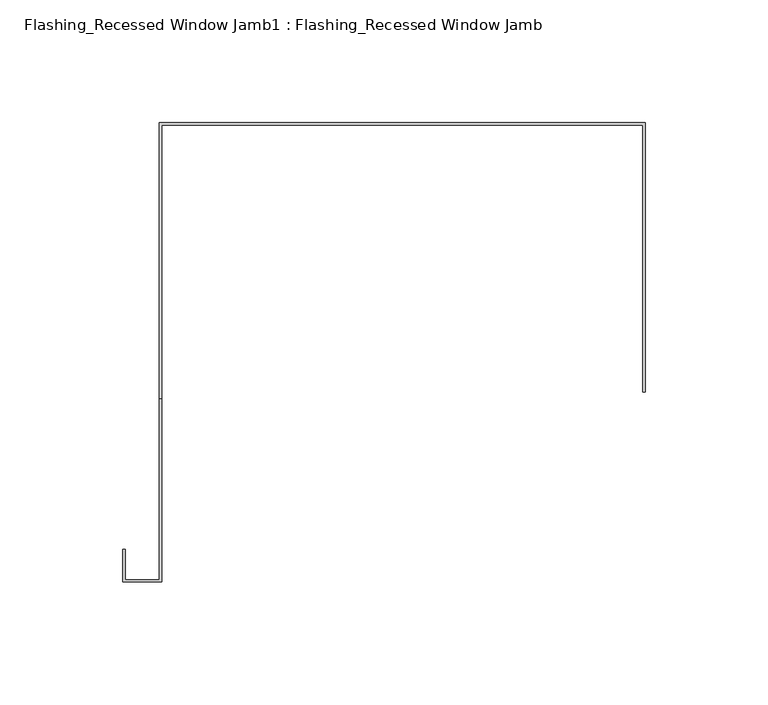
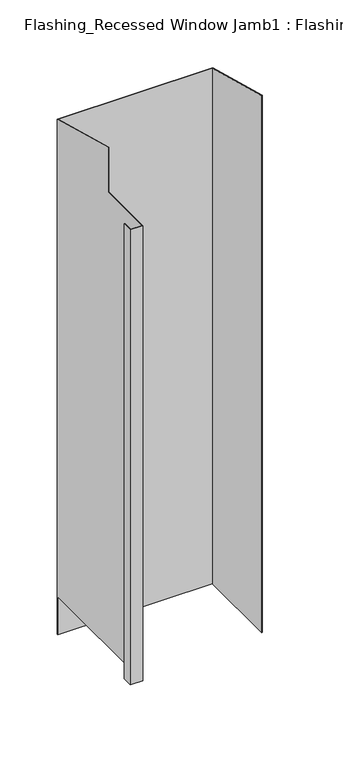
"""IFC4 building model written with IfcOpenShell, lengths in millimetres: proxy geometry, Flashing_Recessed Window Jamb1 : Flashing_Recessed Window Jamb."""

from ifc_helpers import new_model, si_unit, origin, place, context, project, spatial, faceted_brep, source, transform, mapped, element, save


def flashing_recessed_window_jamb1_flashing_recessed_window_jamb_c93fe6b7(model_context):
    return source(origin(), model_context, "Body", "Brep", [
        faceted_brep([(13823.4791786, 548.8615096, 1663.2617476), (13823.4791786, 657.7344915, 1663.2617476), (13626.4791786, 657.7295032, 1663.2617476), (13626.4791786, 658.7344915, 1663.2617476), (13824.4791786, 658.7344915, 1663.2617476), (13824.4791786, 548.8615096, 1663.2617476), (13824.4791786, 548.8615096, 2386.2252595), (13823.4791786, 548.8615096, 2386.2252595), (13824.4791786, 658.7344915, 2356.7848827), (13626.4791786, 658.7344915, 2356.7848827), (13626.4791786, 657.7295032, 1714.3524154), (13626.4791786, 472.3615096, 1714.3524154), (13626.4791786, 472.3615096, 2326.6712797), (13626.4791786, 546.3124471, 2326.6712797), (13626.4791786, 546.3124471, 2386.9082787), (13612.4791786, 472.3615096, 1714.3524154), (13612.4791786, 472.3615096, 2326.6712797), (13612.4791786, 484.6872381, 1714.3524154), (13612.4791786, 484.6872381, 2326.6712797), (13611.4791786, 484.6872381, 1714.3524154), (13611.4791786, 484.6872381, 2326.6712797), (13611.4791786, 471.3615096, 1714.3524154), (13611.4791786, 471.3615096, 2326.6712797), (13627.4791786, 471.3615096, 1714.3524154), (13627.4791786, 471.3615096, 2326.6712797), (13627.4791786, 657.7344915, 1714.3524154), (13627.4791786, 657.7344915, 2357.0528319), (13627.4791786, 546.3124471, 2386.9082787), (13627.4791786, 546.3124471, 2326.6712797), (13823.4791786, 657.7344915, 2357.0528319)], [[[0, 1, 2, 3, 4, 5]], [[0, 5, 6, 7]], [[5, 4, 8, 6]], [[4, 3, 9, 8]], [[9, 3, 2, 10, 11, 12, 13, 14]], [[11, 15, 16, 12]], [[15, 17, 18, 16]], [[17, 19, 20, 18]], [[19, 21, 22, 20]], [[21, 23, 24, 22]], [[25, 26, 27, 28, 24, 23]], [[1, 29, 26, 25, 10, 2]], [[1, 0, 7, 29]], [[7, 6, 8, 9, 14, 27, 26, 29]], [[10, 25, 23, 21, 19, 17, 15, 11]], [[28, 13, 12, 16, 18, 20, 22, 24]], [[13, 28, 27, 14]]]),
    ])


if __name__ == "__main__":
    model = new_model("IFC4")
    model_context = context("Model", 3, world=origin())
    ifc_project = project(units=[si_unit("LENGTHUNIT", "METRE", prefix="MILLI")], contexts=[model_context])
    site = spatial("IfcSite", under=ifc_project)
    building = spatial("IfcBuilding", under=site)
    placement = place(None, origin())
    flashing_recessed_window_jamb1_flashing_recessed_window_jamb_shape = flashing_recessed_window_jamb1_flashing_recessed_window_jamb_c93fe6b7(model_context)
    element("IfcBuildingElementProxy", 1, Name="Flashing_Recessed Window Jamb1 : Flashing_Recessed Window Jamb", ObjectType="Flashing_Recessed Window Jamb1 : Flashing_Recessed Window Jamb", at=placement, inside=building, context=model_context, shape_type="MappedRepresentation", body=[
        mapped(flashing_recessed_window_jamb1_flashing_recessed_window_jamb_shape, transform((0.0, 0.0, 0.0), x_axis=(1.0, 0.0, 0.0), y_axis=(0.0, 1.0, 0.0), z_axis=(0.0, 0.0, 1.0))),
    ])
    save(model, "model.ifc")
